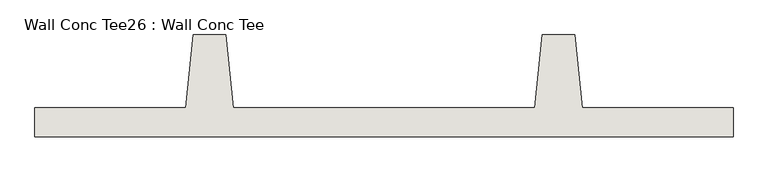
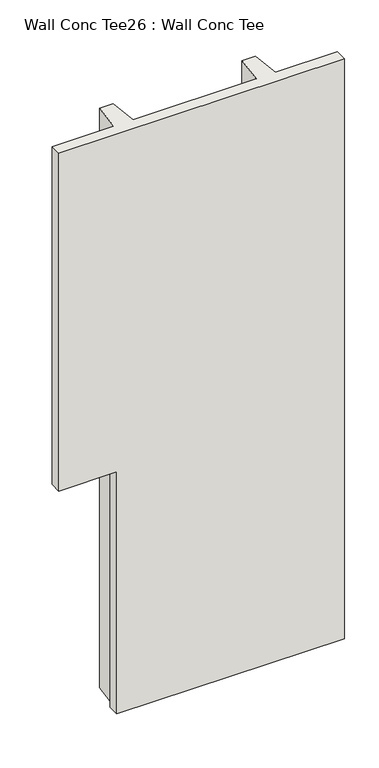
"""IFC4 building model written with IfcOpenShell, lengths in millimetres: wall geometry, Wall Conc Tee26 : Wall Conc Tee."""

from ifc_helpers import new_model, si_unit, origin, place, context, project, spatial, faceted_brep, source, transform, mapped, element, save


def wall_conc_tee26_wall_conc_tee_4bdb549d(model_context):
    return source(origin(), model_context, "Body", "Brep", [
        faceted_brep([(234557.0728488, 180886.8596581, 5376.1679688), (234557.0728488, 180988.4596581, 5376.1679688), (234030.0228488, 180988.4596581, 5376.1679688), (234004.6228488, 181242.4596581, 5376.1679688), (233890.3228488, 181242.4596581, 5376.1679688), (233864.9228488, 180988.4596581, 5376.1679688), (232810.8228488, 180988.4596581, 5376.1679688), (232785.4228488, 181242.4596581, 5376.1679688), (232671.1228488, 181242.4596581, 5376.1679688), (232645.7228488, 180988.4596581, 5376.1679688), (232118.6728488, 180988.4596581, 5376.1679688), (232118.6728488, 180886.8596581, 5376.1679688), (232645.7228488, 180988.4596581, 143.7592564), (232671.1228488, 181242.4596581, 143.7592564), (232785.4228488, 181242.4596581, 143.7592564), (232810.8228488, 180988.4596581, 143.7592564), (233864.9228488, 180988.4596581, 143.7592564), (233890.3228488, 181242.4596581, 143.7592564), (234004.6228488, 181242.4596581, 143.7592564), (234030.0228488, 180988.4596581, 143.7592564), (234557.0728488, 180988.4596581, 143.7592564), (234557.0728488, 180886.8596581, 143.7592564), (232613.9728488, 180886.8596581, 143.7592564), (232613.9728488, 180988.4596581, 143.7592564), (232118.6728488, 180886.8596581, 2328.1592564), (232613.9728488, 180886.8596581, 2328.1592564), (232118.6728488, 180988.4596581, 2328.1592564), (232613.9728488, 180988.4596581, 2328.1592564)], [[[0, 1, 2, 3, 4, 5, 6, 7, 8, 9, 10, 11]], [[12, 13, 14, 15, 16, 17, 18, 19, 20, 21, 22, 23]], [[0, 11, 24, 25, 22, 21]], [[11, 10, 26, 24]], [[10, 9, 12, 23, 27, 26]], [[9, 8, 13, 12]], [[8, 7, 14, 13]], [[7, 6, 15, 14]], [[6, 5, 16, 15]], [[5, 4, 17, 16]], [[4, 3, 18, 17]], [[3, 2, 19, 18]], [[2, 1, 20, 19]], [[1, 0, 21, 20]], [[27, 25, 24, 26]], [[25, 27, 23, 22]]]),
    ])


if __name__ == "__main__":
    model = new_model("IFC4")
    model_context = context("Model", 3, world=origin())
    ifc_project = project(units=[si_unit("LENGTHUNIT", "METRE", prefix="MILLI")], contexts=[model_context])
    site = spatial("IfcSite", under=ifc_project)
    building = spatial("IfcBuilding", under=site)
    placement = place(None, origin())
    wall_conc_tee26_wall_conc_tee_shape = wall_conc_tee26_wall_conc_tee_4bdb549d(model_context)
    element("IfcWall", 1, ObjectType="Wall Conc Tee26 : Wall Conc Tee", at=placement, inside=building, context=model_context, shape_type="MappedRepresentation", body=[
        mapped(wall_conc_tee26_wall_conc_tee_shape, transform((0.0, 0.0, 0.0), x_axis=(1.0, 0.0, 0.0), y_axis=(0.0, 1.0, 0.0), z_axis=(0.0, 0.0, 1.0))),
    ])
    save(model, "model.ifc")
